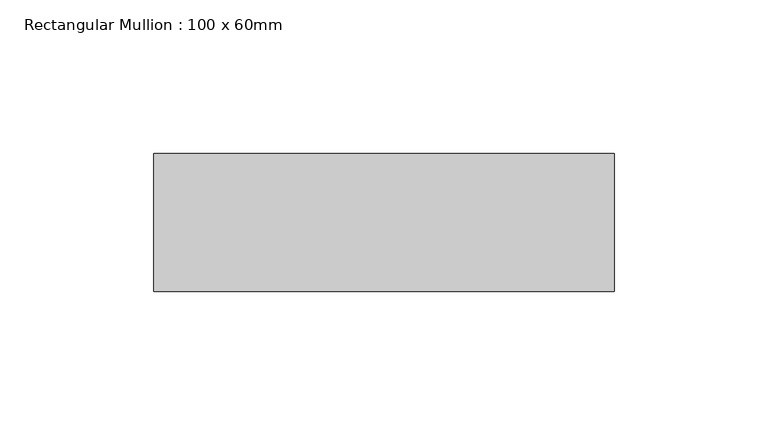
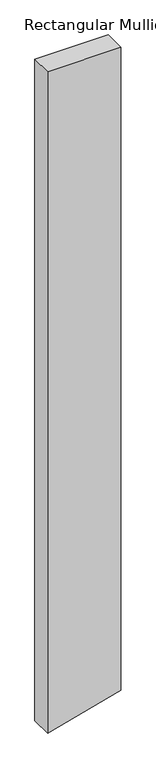
"""IFC4 building model written with IfcOpenShell, lengths in millimetres: member geometry, Rectangular Mullion : 100 x 60mm."""

from ifc_helpers import new_model, si_unit, frame, origin, place, context, project, spatial, polyline, outline, extrude, source, transform, mapped, element, save


def rectangular_mullion_100_x_60mm_9638ed2c(model_context):
    return source(origin(), model_context, "Body", "SweptSolid", [
        extrude(outline(polyline([(0.0, 75.0), (0.0, -75.0), (-1433.3643195, -75.0), (-1430.6057186, -64.7047613), (-1393.1719407, 75.0), (0.0, 75.0)])), frame((0.0, -15.0, 0.0), z_axis=(0.0, 1.0, 0.0), x_axis=(0.0, 0.0, 1.0)), (0.0, 0.0, 1.0), 45.0),
    ])


if __name__ == "__main__":
    model = new_model("IFC4")
    model_context = context("Model", 3, world=origin())
    ifc_project = project(units=[si_unit("LENGTHUNIT", "METRE", prefix="MILLI")], contexts=[model_context])
    site = spatial("IfcSite", under=ifc_project)
    building = spatial("IfcBuilding", under=site)
    placement = place(None, origin())
    rectangular_mullion_100_x_60mm_shape = rectangular_mullion_100_x_60mm_9638ed2c(model_context)
    element("IfcMember", 1, ObjectType="Rectangular Mullion : 100 x 60mm", at=placement, inside=building, context=model_context, shape_type="MappedRepresentation", body=[
        mapped(rectangular_mullion_100_x_60mm_shape, transform((0.0, 0.0, 0.0), x_axis=(1.0, 0.0, 0.0), y_axis=(0.0, 1.0, 0.0), z_axis=(0.0, 0.0, 1.0))),
    ])
    save(model, "model.ifc")
